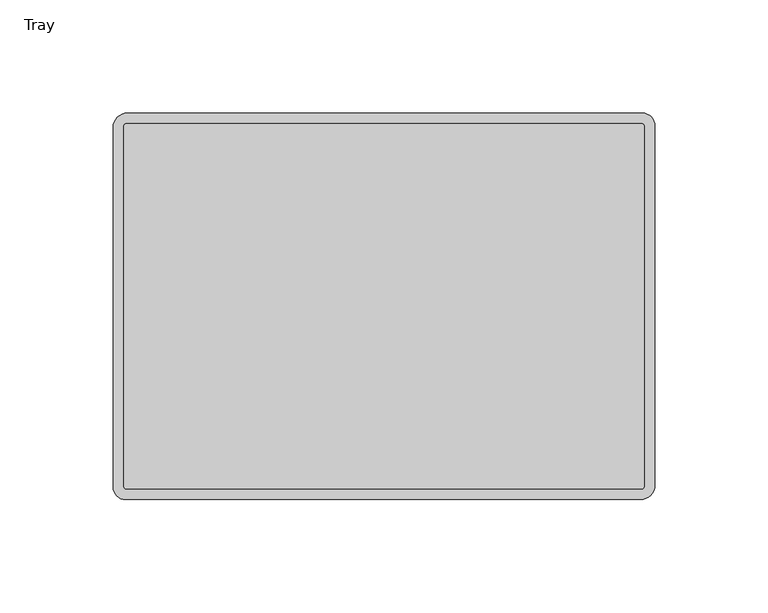
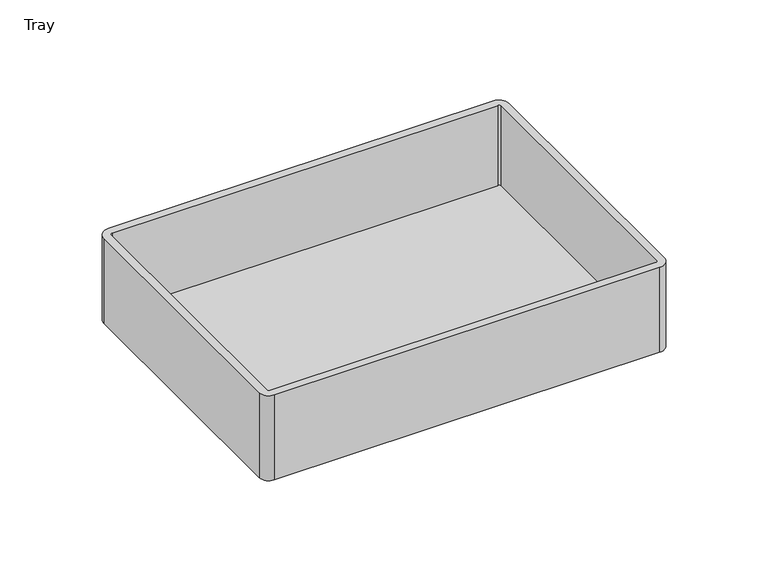
"""IFC4 building model written with IfcOpenShell, lengths in millimetres: furniture geometry, Tray."""

import ifcopenshell
import ifcopenshell.guid

model = None  # the IFC model being written
_history = None  # IfcOwnerHistory: only IFC2X3 demands one
_inside = {}  # id of a spatial element -> (the spatial element, [elements in it])
_under = {}  # id of a project, library or spatial element -> (it, [spatial elements below it])
_declared = {}  # id of a project -> (the project, [libraries it declares])
_typed = {}  # id of a type object -> (the type object, [elements of that type])
_made_of = {}  # id of a material, layer set ... -> (it, [elements and type objects made of it])


def new_model(schema):
    """Start an empty IFC model of exactly this schema.

    Asked for "IFC4X3", IfcOpenShell would pick the latest addendum, in which some entities
    have other attributes; the version numbers below select the first issue.
    IFC2X3 requires an IfcOwnerHistory on every rooted entity: one is made here for all.
    """
    global model, _history
    if schema == "IFC4X3":
        model = ifcopenshell.file(schema_version=(4, 3, 0, 0))
    else:
        model = ifcopenshell.file(schema=schema)
    _inside.clear()
    _under.clear()
    _declared.clear()
    _typed.clear()
    _made_of.clear()
    _history = None
    if model.schema == "IFC2X3":
        org = make("IfcOrganization", Name="unknown")
        user = make(
            "IfcPersonAndOrganization",
            ThePerson=make("IfcPerson", FamilyName="unknown"),
            TheOrganization=org,
        )
        app = make(
            "IfcApplication",
            ApplicationDeveloper=org,
            Version="unknown",
            ApplicationFullName="unknown",
            ApplicationIdentifier="unknown",
        )
        _history = make(
            "IfcOwnerHistory",
            OwningUser=user,
            OwningApplication=app,
            ChangeAction="ADDED",
            CreationDate=0,
        )
    return model


def make(cls, **values):
    """One entity of the class cls with the attributes given. An attribute that is None is left unset."""
    return model.create_entity(
        cls, **{name: value for name, value in values.items() if value is not None}
    )


def rooted(cls, **values):
    """An entity with a GlobalId (a new one), such as an element, a storey or a relation."""
    return make(cls, GlobalId=ifcopenshell.guid.new(), OwnerHistory=_history, **values)


def si_unit(unit_type, name, prefix=None):
    """IfcSIUnit, for example si_unit("LENGTHUNIT", "METRE", prefix="MILLI")."""
    return make("IfcSIUnit", UnitType=unit_type, Prefix=prefix, Name=name)


def assignment(units):
    """IfcUnitAssignment: the units of a project."""
    return None if units is None else make("IfcUnitAssignment", Units=units)


def point(xyz):
    """IfcCartesianPoint."""
    return None if xyz is None else make("IfcCartesianPoint", Coordinates=xyz)


def direction(xyz):
    """IfcDirection."""
    return None if xyz is None else make("IfcDirection", DirectionRatios=xyz)


def frame(location, z_axis=None, x_axis=None):
    """IfcAxis2Placement3D, a coordinate frame: its origin and axes. An axis left out is left unset."""
    return make(
        "IfcAxis2Placement3D",
        Location=point(location),
        Axis=direction(z_axis),
        RefDirection=direction(x_axis),
    )


def frame_2d(location, x_axis=None):
    """IfcAxis2Placement2D, a coordinate frame in the plane: its origin and x axis."""
    return make(
        "IfcAxis2Placement2D", Location=point(location), RefDirection=direction(x_axis)
    )


def origin():
    """The frame at (0, 0, 0) with its axes left unset."""
    return frame((0.0, 0.0, 0.0))


def place(relative_to, where):
    """IfcLocalPlacement: puts the frame where relative to a parent placement (None: the world)."""
    return make(
        "IfcLocalPlacement", PlacementRelTo=relative_to, RelativePlacement=where
    )


def context(
    kind, dimensions, precision=None, world=None, true_north=None, identifier=None
):
    """IfcGeometricRepresentationContext, for example the 3D "Model" context."""
    return make(
        "IfcGeometricRepresentationContext",
        ContextIdentifier=identifier,
        ContextType=kind,
        CoordinateSpaceDimension=dimensions,
        Precision=precision,
        WorldCoordinateSystem=world,
        TrueNorth=true_north,
    )


def project(units=None, contexts=None):
    """IfcProject with its units and contexts."""
    return rooted(
        "IfcProject",
        Name="project",
        RepresentationContexts=contexts,
        UnitsInContext=assignment(units),
    )


def spatial(cls, under=None, at=None, **own):
    """A site, building, storey or space (cls), placed at a placement, below another one or the project."""
    s = rooted(cls, ObjectPlacement=at, **own)
    if under is not None:
        _under.setdefault(under.id(), (under, []))[1].append(s)
    return s


def polyline(points):
    """IfcPolyline through the points."""
    return make("IfcPolyline", Points=[point(p) for p in points])


def circle_curve(where, radius):
    """IfcCircle in the frame where."""
    return make("IfcCircle", Position=where, Radius=radius)


def trimmed(basis, trim1, trim2, sense, master):
    """IfcTrimmedCurve: the piece of a basis curve between two trims."""
    return make(
        "IfcTrimmedCurve",
        BasisCurve=basis,
        Trim1=trim1,
        Trim2=trim2,
        SenseAgreement=sense,
        MasterRepresentation=master,
    )


def segment(curve, same_sense, transition):
    """IfcCompositeCurveSegment."""
    return make(
        "IfcCompositeCurveSegment",
        Transition=transition,
        SameSense=same_sense,
        ParentCurve=curve,
    )


def composite_curve(segments, self_intersect=None):
    """IfcCompositeCurve: segments joined end to end."""
    return make("IfcCompositeCurve", Segments=segments, SelfIntersect=self_intersect)


def outline(outer, holes=None, kind="AREA"):
    """IfcArbitraryClosedProfileDef: a profile drawn as a closed curve; with holes, ...WithVoids."""
    if holes is None:
        return make("IfcArbitraryClosedProfileDef", ProfileType=kind, OuterCurve=outer)
    return make(
        "IfcArbitraryProfileDefWithVoids",
        ProfileType=kind,
        OuterCurve=outer,
        InnerCurves=holes,
    )


def extrude(swept, where, along, depth):
    """IfcExtrudedAreaSolid: the profile swept, set in the frame where, extruded along a direction by depth."""
    return make(
        "IfcExtrudedAreaSolid",
        SweptArea=swept,
        Position=where,
        ExtrudedDirection=direction(along),
        Depth=depth,
    )


def shape(context_of_items, identifier, shape_type, items):
    """IfcShapeRepresentation: the items that make up one representation, for example the "Body"."""
    return make(
        "IfcShapeRepresentation",
        ContextOfItems=context_of_items,
        RepresentationIdentifier=identifier,
        RepresentationType=shape_type,
        Items=items,
    )


def source(mapping_origin, context_of_items, identifier, shape_type, items):
    """IfcRepresentationMap: a shape defined once, which mapped items show again and again."""
    return make(
        "IfcRepresentationMap",
        MappingOrigin=mapping_origin,
        MappedRepresentation=shape(context_of_items, identifier, shape_type, items),
    )


def transform(
    local_origin,
    x_axis=None,
    y_axis=None,
    z_axis=None,
    scale=None,
    scale2=None,
    scale3=None,
    uniform=True,
):
    """IfcCartesianTransformationOperator3D, or its non-uniform kind. x_axis, y_axis, z_axis: its Axis1, 2, 3."""
    if uniform:
        return make(
            "IfcCartesianTransformationOperator3D",
            Axis1=direction(x_axis),
            Axis2=direction(y_axis),
            LocalOrigin=point(local_origin),
            Scale=scale,
            Axis3=direction(z_axis),
        )
    return make(
        "IfcCartesianTransformationOperator3DnonUniform",
        Axis1=direction(x_axis),
        Axis2=direction(y_axis),
        LocalOrigin=point(local_origin),
        Scale=scale,
        Axis3=direction(z_axis),
        Scale2=scale2,
        Scale3=scale3,
    )


def mapped(mapping_source, mapping_target):
    """IfcMappedItem: shows the shape of a source again, moved by a transform."""
    return make(
        "IfcMappedItem", MappingSource=mapping_source, MappingTarget=mapping_target
    )


def made_of(thing, what):
    """Note that an element or type object is made of a material, layer set ...; save() writes the relation."""
    if what is not None:
        _made_of.setdefault(what.id(), (what, []))[1].append(thing)
    return thing


def element(
    cls,
    number,
    at=None,
    inside=None,
    cuts=None,
    type_object=None,
    material=None,
    context=None,
    identifier="Body",
    shape_type=None,
    held_by="IfcProductDefinitionShape",
    body=None,
    shapes=None,
    **own,
):
    """One element of the class cls, such as IfcWall. Its Tag is "e" and its number.

    at: its placement. inside: the storey or other place that contains it. cuts: it is an
    opening in that element (IfcRelVoidsElement). A single representation is given by context,
    identifier, shape_type and body (its items); several are given by shapes. held_by: the class
    of the entity that holds the representations. save() writes the other relations.
    """
    e = rooted(cls, Tag="e%d" % number, ObjectPlacement=at, **own)
    if body is not None:
        shapes = [shape(context, identifier, shape_type, body)]
    if shapes is not None:
        e.Representation = make(held_by, Representations=shapes)
    if inside is not None:
        _inside.setdefault(inside.id(), (inside, []))[1].append(e)
    if cuts is not None:
        rooted(
            "IfcRelVoidsElement", RelatingBuildingElement=cuts, RelatedOpeningElement=e
        )
    if type_object is not None:
        _typed.setdefault(type_object.id(), (type_object, []))[1].append(e)
    return made_of(e, material)


def aggregate(whole, parts):
    """IfcRelAggregates: a whole, such as a stair, and the parts it consists of."""
    return rooted("IfcRelAggregates", RelatingObject=whole, RelatedObjects=parts)


def save(model, path):
    """Write the relations noted so far, then the file.

    IfcRelAggregates (storeys below a building ...), IfcRelContainedInSpatialStructure (elements
    in a storey), IfcRelDefinesByType, IfcRelAssociatesMaterial and IfcRelDeclares: one each for
    every whole, place, type object, material and project.
    """
    for whole, parts in _under.values():
        aggregate(whole, parts)
    for where, things in _inside.values():
        rooted(
            "IfcRelContainedInSpatialStructure",
            RelatedElements=things,
            RelatingStructure=where,
        )
    for kind, things in _typed.values():
        rooted("IfcRelDefinesByType", RelatedObjects=things, RelatingType=kind)
    for what, things in _made_of.values():
        rooted("IfcRelAssociatesMaterial", RelatedObjects=things, RelatingMaterial=what)
    for by, libraries in _declared.values():
        rooted("IfcRelDeclares", RelatingContext=by, RelatedDefinitions=libraries)
    model.write(path)


def tray_02c86394(model_context):
    return source(origin(), model_context, "Body", "SweptSolid", [
        extrude(outline(composite_curve([segment(trimmed(circle_curve(frame_2d((244.4429, 176.1854385)), 0.9937903), [point((244.4429, 177.1792288))], [point((245.4366903, 176.1854385))], False, "CARTESIAN"), True, "CONTINUOUS"), segment(polyline([(245.4366903, 176.1854385), (245.4366903, 16.7050317)]), True, "CONTINUOUS"), segment(trimmed(circle_curve(frame_2d((244.4524491, 16.7050317)), 0.9842412), [point((245.4366903, 16.7050317))], [point((244.4524491, 15.7207905))], False, "CARTESIAN"), True, "CONTINUOUS"), segment(polyline([(244.4524491, 15.7207905), (16.565723, 15.7207905)]), True, "CONTINUOUS"), segment(trimmed(circle_curve(frame_2d((16.565723, 16.7232)), 1.0024095), [point((16.565723, 15.7207905))], [point((15.5633135, 16.7232))], False, "CARTESIAN"), True, "CONTINUOUS"), segment(polyline([(15.5633135, 16.7232), (15.5633135, 176.1418063)]), True, "CONTINUOUS"), segment(trimmed(circle_curve(frame_2d((16.600736, 176.1418063)), 1.0374225), [point((15.5633135, 176.1418063))], [point((16.600736, 177.1792288))], False, "CARTESIAN"), True, "CONTINUOUS"), segment(polyline([(16.600736, 177.1792288), (244.4429, 177.1792288)]), True, "CONTINUOUS")], self_intersect=False)), frame((0.0, 0.0, 532.889457), z_axis=(0.0, 0.0, 1.0), x_axis=(1.0, 0.0, 0.0)), (0.0, 0.0, 1.0), 3.1750242),
        extrude(outline(composite_curve([segment(trimmed(circle_curve(frame_2d((244.5007001, 176.2432204)), 5.6655889), [point((244.5007001, 181.9088093))], [point((250.166289, 176.2432204))], False, "CARTESIAN"), True, "CONTINUOUS"), segment(polyline([(250.166289, 176.2432204), (250.166289, 17.3412089)]), True, "CONTINUOUS"), segment(trimmed(circle_curve(frame_2d((243.816289, 17.3412089)), 6.35), [point((250.166289, 17.3412089))], [point((243.816289, 10.9912089))], False, "CARTESIAN"), True, "CONTINUOUS"), segment(polyline([(243.816289, 10.9912089), (16.3896762, 10.9912089)]), True, "CONTINUOUS"), segment(trimmed(circle_curve(frame_2d((16.3896762, 16.5471497)), 5.5559409), [point((16.3896762, 10.9912089))], [point((10.8337353, 16.5471497))], False, "CARTESIAN"), True, "CONTINUOUS"), segment(polyline([(10.8337353, 16.5471497), (10.8337353, 175.5588093)]), True, "CONTINUOUS"), segment(trimmed(circle_curve(frame_2d((17.1837353, 175.5588093)), 6.35), [point((10.8337353, 175.5588093))], [point((17.1837353, 181.9088093))], False, "CARTESIAN"), True, "CONTINUOUS"), segment(polyline([(17.1837353, 181.9088093), (244.5007001, 181.9088093)]), True, "CONTINUOUS")], self_intersect=False), holes=[composite_curve([segment(polyline([(244.4429, 177.1792288), (16.600736, 177.1792288)]), True, "CONTINUOUS"), segment(trimmed(circle_curve(frame_2d((16.600736, 176.1418063)), 1.0374225), [point((16.600736, 177.1792288))], [point((15.5633135, 176.1418063))], True, "CARTESIAN"), True, "CONTINUOUS"), segment(polyline([(15.5633135, 176.1418063), (15.5633135, 16.7232)]), True, "CONTINUOUS"), segment(trimmed(circle_curve(frame_2d((16.565723, 16.7232)), 1.0024095), [point((15.5633135, 16.7232))], [point((16.565723, 15.7207905))], True, "CARTESIAN"), True, "CONTINUOUS"), segment(polyline([(16.565723, 15.7207905), (244.4524491, 15.7207905)]), True, "CONTINUOUS"), segment(trimmed(circle_curve(frame_2d((244.4524491, 16.7050317)), 0.9842412), [point((244.4524491, 15.7207905))], [point((245.4366903, 16.7050317))], True, "CARTESIAN"), True, "CONTINUOUS"), segment(polyline([(245.4366903, 16.7050317), (245.4366903, 176.1854385)]), True, "CONTINUOUS"), segment(trimmed(circle_curve(frame_2d((244.4429, 176.1854385)), 0.9937903), [point((245.4366903, 176.1854385))], [point((244.4429, 177.1792288))], True, "CARTESIAN"), True, "CONTINUOUS")], self_intersect=False)]), frame((0.0, 0.0, 532.889457), z_axis=(0.0, 0.0, 1.0), x_axis=(1.0, 0.0, 0.0)), (0.0, 0.0, 1.0), 53.0765931),
    ])


if __name__ == "__main__":
    model = new_model("IFC4")
    model_context = context("Model", 3, world=origin())
    ifc_project = project(units=[si_unit("LENGTHUNIT", "METRE", prefix="MILLI")], contexts=[model_context])
    site = spatial("IfcSite", under=ifc_project)
    building = spatial("IfcBuilding", under=site)
    placement = place(None, origin())
    tray_shape = tray_02c86394(model_context)
    element("IfcFurniture", 1, ObjectType="Tray", at=placement, inside=building, context=model_context, shape_type="MappedRepresentation", body=[
        mapped(tray_shape, transform((0.0, 0.0, 0.0), x_axis=(1.0, 0.0, 0.0), y_axis=(0.0, 1.0, 0.0), z_axis=(0.0, 0.0, 1.0))),
    ])
    save(model, "model.ifc")
